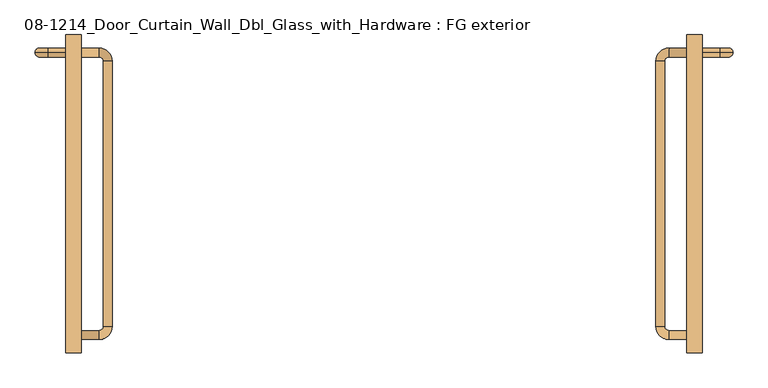
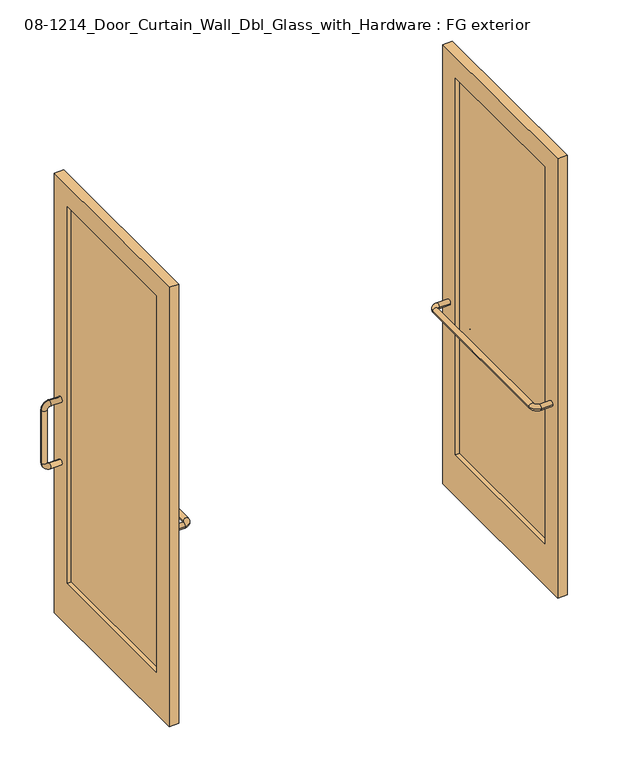
"""IFC4 building model written with IfcOpenShell, lengths in millimetres: door geometry, 08-1214_Door_Curtain_Wall_Dbl_Glass_with_Hardware : FG exterior."""

from ifc_helpers import new_model, si_unit, point, frame, origin, place, context, project, spatial, polyline, circle_curve, ellipse_curve, trimmed, outline, extrude, source, transform, mapped, element, save
from ifc_brep_helpers import plane_surface, cylinder_surface, revolved_surface, advanced_brep


def door_08_1214_door_curtain_wall_dbl_glass_with_hardware_fg_2232caed(model_context):
    return source(origin(), model_context, "Body", "SolidModel", [
        advanced_brep(
        [(914.4, 927.1, 749.3), (914.4, 927.1, 774.7), (965.2, 927.1, 749.3), (965.2, 927.1, 774.7), (977.9, 927.1, 787.4), (1003.3, 927.1, 787.4), (1003.3, 927.1, 1041.4), (977.9, 927.1, 1041.4), (914.4, 927.1, 1079.5), (914.4, 927.1, 1054.1), (965.2, 927.1, 1054.1), (965.2, 927.1, 1079.5)],
        [
            (0, 1, circle_curve(frame((914.4, 927.1, 762.0), z_axis=(-1.0, 0.0, 0.0), x_axis=(0.0, 0.0, 1.0)), 12.7)),
            (1, 0, circle_curve(frame((914.4, 927.1, 762.0), z_axis=(-1.0, 0.0, 0.0), x_axis=(0.0, 0.0, 1.0)), 12.7)),
            (0, 2),
            (2, 3, circle_curve(frame((965.2, 927.1, 762.0), z_axis=(-1.0, 0.0, 0.0), x_axis=(0.0, 0.0, 1.0)), 12.7)),
            (3, 1),
            (3, 2, circle_curve(frame((965.2, 927.1, 762.0), z_axis=(-1.0, 0.0, 0.0), x_axis=(0.0, 0.0, 1.0)), 12.7)),
            (4, 5, circle_curve(frame((990.6, 927.1, 787.4), z_axis=(0.0, 0.0, 1.0), x_axis=(-1.0, 0.0, 0.0)), 12.7)),
            (5, 6),
            (6, 7, circle_curve(frame((990.6, 927.1, 1041.4), z_axis=(0.0, 0.0, -1.0), x_axis=(-1.0, 0.0, 0.0)), 12.7)),
            (7, 4),
            (5, 4, circle_curve(frame((990.6, 927.1, 787.4), z_axis=(0.0, 0.0, 1.0), x_axis=(-1.0, 0.0, 0.0)), 12.7)),
            (7, 6, circle_curve(frame((990.6, 927.1, 1041.4), z_axis=(0.0, 0.0, -1.0), x_axis=(-1.0, 0.0, 0.0)), 12.7)),
            (8, 9, circle_curve(frame((914.4, 927.1, 1066.8), z_axis=(-1.0, 0.0, 0.0), x_axis=(0.0, 0.0, -1.0)), 12.7)),
            (9, 8, circle_curve(frame((914.4, 927.1, 1066.8), z_axis=(-1.0, 0.0, 0.0), x_axis=(0.0, 0.0, -1.0)), 12.7)),
            (10, 11, circle_curve(frame((965.2, 927.1, 1066.8), z_axis=(-1.0, 0.0, 0.0), x_axis=(0.0, 0.0, -1.0)), 12.7)),
            (11, 8),
            (9, 10),
            (11, 10, circle_curve(frame((965.2, 927.1, 1066.8), z_axis=(-1.0, 0.0, 0.0), x_axis=(0.0, 0.0, -1.0)), 12.7)),
            (4, 3, circle_curve(frame((965.2, 927.1, 787.4), z_axis=(0.0, 1.0, 0.0), x_axis=(0.0, 0.0, -1.0)), 12.7)),
            (2, 5, circle_curve(frame((965.2, 927.1, 787.4), z_axis=(0.0, -1.0, 0.0), x_axis=(0.0, 0.0, -1.0)), 38.1)),
            (10, 7, circle_curve(frame((965.2, 927.1, 1041.4), z_axis=(0.0, 1.0, 0.0), x_axis=(1.0, 0.0, 0.0)), 12.7)),
            (6, 11, circle_curve(frame((965.2, 927.1, 1041.4), z_axis=(0.0, -1.0, 0.0), x_axis=(1.0, 0.0, 0.0)), 38.1)),
        ],
        [
            plane_surface(frame((914.4, 927.1, 762.0), z_axis=(-1.0, 0.0, 0.0), x_axis=(0.0, -1.0, 0.0))),
            cylinder_surface(frame((914.4, 927.1, 762.0), z_axis=(-1.0, 0.0, 0.0), x_axis=(0.0, 0.0, 1.0)), 12.7),
            cylinder_surface(frame((990.6, 927.1, 787.4), z_axis=(0.0, 0.0, -1.0), x_axis=(-1.0, 0.0, 0.0)), 12.7),
            plane_surface(frame((914.4, 927.1, 1066.8), z_axis=(-1.0, 0.0, 0.0), x_axis=(0.0, -1.0, 0.0))),
            cylinder_surface(frame((965.2, 927.1, 1066.8), z_axis=(1.0, 0.0, 0.0), x_axis=(0.0, 0.0, -1.0)), 12.7),
            revolved_surface(trimmed(ellipse_curve(frame((965.2, 927.1, 762.0), z_axis=(-1.0, 0.0, 0.0), x_axis=(0.0, 0.0, 1.0)), 12.7, 12.7), [point((965.2, 927.1, 749.3))], [point((965.2, 927.1, 774.7))], True, "CARTESIAN"), (965.2, 927.1, 787.4), (0.0, -1.0, 0.0)),
            revolved_surface(trimmed(ellipse_curve(frame((965.2, 927.1, 762.0), z_axis=(-1.0, 0.0, 0.0), x_axis=(0.0, 0.0, 1.0)), 12.7, 12.7), [point((965.2, 927.1, 774.7))], [point((965.2, 927.1, 749.3))], True, "CARTESIAN"), (965.2, 927.1, 787.4), (0.0, -1.0, 0.0)),
            revolved_surface(trimmed(ellipse_curve(frame((990.6, 927.1, 1041.4), z_axis=(0.0, 0.0, -1.0), x_axis=(-1.0, 0.0, 0.0)), 12.7, 12.7), [point((1003.3, 927.1, 1041.4))], [point((977.9, 927.1, 1041.4))], True, "CARTESIAN"), (965.2, 927.1, 1041.4), (0.0, -1.0, 0.0)),
            revolved_surface(trimmed(ellipse_curve(frame((990.6, 927.1, 1041.4), z_axis=(0.0, 0.0, -1.0), x_axis=(-1.0, 0.0, 0.0)), 12.7, 12.7), [point((977.9, 927.1, 1041.4))], [point((1003.3, 927.1, 1041.4))], True, "CARTESIAN"), (965.2, 927.1, 1041.4), (0.0, -1.0, 0.0)),
        ],
        [
            (0, [[1, 2]]),
            (1, [[-1, 3, 4, 5]]),
            (1, [[-2, -5, 6, -3]]),
            (2, [[7, 8, 9, 10]]),
            (2, [[11, -10, 12, -8]]),
            (3, [[13, 14]]),
            (4, [[15, 16, -14, 17]]),
            (4, [[18, -17, -13, -16]]),
            (5, [[19, -4, 20, -7]]),
            (6, [[-20, -6, -19, -11]]),
            (7, [[21, -9, 22, -15]]),
            (8, [[-22, -12, -21, -18]]),
        ],
    ),
        advanced_brep(
        [(869.95, 101.6, 914.4), (869.95, 127.0, 914.4), (819.15, 101.6, 914.4), (819.15, 127.0, 914.4), (806.45, 139.7, 914.4), (781.05, 139.7, 914.4), (781.05, 901.7, 914.4), (806.45, 901.7, 914.4), (869.95, 939.8, 914.4), (869.95, 914.4, 914.4), (819.15, 914.4, 914.4), (819.15, 939.8, 914.4)],
        [
            (0, 1, circle_curve(frame((869.95, 114.3, 914.4), z_axis=(1.0, 0.0, 0.0), x_axis=(0.0, 1.0, 0.0)), 12.7)),
            (1, 0, circle_curve(frame((869.95, 114.3, 914.4), z_axis=(1.0, 0.0, 0.0), x_axis=(0.0, 1.0, 0.0)), 12.7)),
            (0, 2),
            (2, 3, circle_curve(frame((819.15, 114.3, 914.4), z_axis=(1.0, 0.0, 0.0), x_axis=(0.0, 1.0, 0.0)), 12.7)),
            (3, 1),
            (3, 2, circle_curve(frame((819.15, 114.3, 914.4), z_axis=(1.0, 0.0, 0.0), x_axis=(0.0, 1.0, 0.0)), 12.7)),
            (4, 5, circle_curve(frame((793.75, 139.7, 914.4), z_axis=(0.0, 1.0, 0.0), x_axis=(1.0, 0.0, 0.0)), 12.7)),
            (5, 6),
            (6, 7, circle_curve(frame((793.75, 901.7, 914.4), z_axis=(0.0, -1.0, 0.0), x_axis=(1.0, 0.0, 0.0)), 12.7)),
            (7, 4),
            (5, 4, circle_curve(frame((793.75, 139.7, 914.4), z_axis=(0.0, 1.0, 0.0), x_axis=(1.0, 0.0, 0.0)), 12.7)),
            (7, 6, circle_curve(frame((793.75, 901.7, 914.4), z_axis=(0.0, -1.0, 0.0), x_axis=(1.0, 0.0, 0.0)), 12.7)),
            (8, 9, circle_curve(frame((869.95, 927.1, 914.4), z_axis=(1.0, 0.0, 0.0), x_axis=(0.0, -1.0, 0.0)), 12.7)),
            (9, 8, circle_curve(frame((869.95, 927.1, 914.4), z_axis=(1.0, 0.0, 0.0), x_axis=(0.0, -1.0, 0.0)), 12.7)),
            (10, 11, circle_curve(frame((819.15, 927.1, 914.4), z_axis=(1.0, 0.0, 0.0), x_axis=(0.0, -1.0, 0.0)), 12.7)),
            (11, 8),
            (9, 10),
            (11, 10, circle_curve(frame((819.15, 927.1, 914.4), z_axis=(1.0, 0.0, 0.0), x_axis=(0.0, -1.0, 0.0)), 12.7)),
            (4, 3, circle_curve(frame((819.15, 139.7, 914.4), z_axis=(0.0, 0.0, 1.0), x_axis=(0.0, -1.0, 0.0)), 12.7)),
            (2, 5, circle_curve(frame((819.15, 139.7, 914.4), z_axis=(0.0, 0.0, -1.0), x_axis=(0.0, -1.0, 0.0)), 38.1)),
            (10, 7, circle_curve(frame((819.15, 901.7, 914.4), z_axis=(0.0, 0.0, 1.0), x_axis=(-1.0, 0.0, 0.0)), 12.7)),
            (6, 11, circle_curve(frame((819.15, 901.7, 914.4), z_axis=(0.0, 0.0, -1.0), x_axis=(-1.0, 0.0, 0.0)), 38.1)),
        ],
        [
            plane_surface(frame((869.95, 114.3, 914.4), z_axis=(1.0, 0.0, 0.0), x_axis=(0.0, 0.0, -1.0))),
            cylinder_surface(frame((869.95, 114.3, 914.4), z_axis=(1.0, 0.0, 0.0), x_axis=(0.0, 1.0, 0.0)), 12.7),
            cylinder_surface(frame((793.75, 139.7, 914.4), z_axis=(0.0, -1.0, 0.0), x_axis=(1.0, 0.0, 0.0)), 12.7),
            plane_surface(frame((869.95, 927.1, 914.4), z_axis=(1.0, 0.0, 0.0), x_axis=(0.0, 0.0, -1.0))),
            cylinder_surface(frame((819.15, 927.1, 914.4), z_axis=(-1.0, 0.0, 0.0), x_axis=(0.0, -1.0, 0.0)), 12.7),
            revolved_surface(trimmed(ellipse_curve(frame((819.15, 114.3, 914.4), z_axis=(1.0, 0.0, 0.0), x_axis=(0.0, 1.0, 0.0)), 12.7, 12.7), [point((819.15, 101.6, 914.4))], [point((819.15, 127.0, 914.4))], True, "CARTESIAN"), (819.15, 139.7, 914.4), (0.0, 0.0, -1.0)),
            revolved_surface(trimmed(ellipse_curve(frame((819.15, 114.3, 914.4), z_axis=(1.0, 0.0, 0.0), x_axis=(0.0, 1.0, 0.0)), 12.7, 12.7), [point((819.15, 127.0, 914.4))], [point((819.15, 101.6, 914.4))], True, "CARTESIAN"), (819.15, 139.7, 914.4), (0.0, 0.0, -1.0)),
            revolved_surface(trimmed(ellipse_curve(frame((793.75, 901.7, 914.4), z_axis=(0.0, -1.0, 0.0), x_axis=(1.0, 0.0, 0.0)), 12.7, 12.7), [point((781.05, 901.7, 914.4))], [point((806.45, 901.7, 914.4))], True, "CARTESIAN"), (819.15, 901.7, 914.4), (0.0, 0.0, -1.0)),
            revolved_surface(trimmed(ellipse_curve(frame((793.75, 901.7, 914.4), z_axis=(0.0, -1.0, 0.0), x_axis=(1.0, 0.0, 0.0)), 12.7, 12.7), [point((806.45, 901.7, 914.4))], [point((781.05, 901.7, 914.4))], True, "CARTESIAN"), (819.15, 901.7, 914.4), (0.0, 0.0, -1.0)),
        ],
        [
            (0, [[1, 2]]),
            (1, [[-1, 3, 4, 5]]),
            (1, [[-2, -5, 6, -3]]),
            (2, [[7, 8, 9, 10]]),
            (2, [[11, -10, 12, -8]]),
            (3, [[13, 14]]),
            (4, [[15, 16, -14, 17]]),
            (4, [[18, -17, -13, -16]]),
            (5, [[19, -4, 20, -7]]),
            (6, [[-20, -6, -19, -11]]),
            (7, [[21, -9, 22, -15]]),
            (8, [[-22, -12, -21, -18]]),
        ],
    ),
        extrude(outline(polyline([(895.35, 876.3), (895.35, 165.1), (889.0, 165.1), (889.0, 876.3), (895.35, 876.3)])), frame((0.0, 0.0, 203.2), z_axis=(0.0, 0.0, 1.0), x_axis=(1.0, 0.0, 0.0)), (0.0, 0.0, 1.0), 1828.8),
        extrude(outline(polyline([(63.5, 2133.6), (977.9, 2133.6), (977.9, 0.0), (63.5, 0.0), (63.5, 2133.6)]), holes=[polyline([(165.1, 2032.0), (165.1, 203.2), (876.3, 203.2), (876.3, 2032.0), (165.1, 2032.0)])]), frame((869.95, 0.0, 0.0), z_axis=(1.0, 0.0, 0.0), x_axis=(0.0, 1.0, 0.0)), (0.0, 0.0, 1.0), 44.45),
        advanced_brep(
        [(-914.4, 927.1, 749.3), (-914.4, 927.1, 774.7), (-965.2, 927.1, 774.7), (-965.2, 927.1, 749.3), (-977.9, 927.1, 787.4), (-977.9, 927.1, 1041.4), (-1003.3, 927.1, 1041.4), (-1003.3, 927.1, 787.4), (-914.4, 927.1, 1079.5), (-914.4, 927.1, 1054.1), (-965.2, 927.1, 1054.1), (-965.2, 927.1, 1079.5)],
        [
            (0, 1, circle_curve(frame((-914.4, 927.1, 762.0), z_axis=(1.0, 0.0, 0.0), x_axis=(0.0, 0.0, 1.0)), 12.7)),
            (1, 0, circle_curve(frame((-914.4, 927.1, 762.0), z_axis=(1.0, 0.0, 0.0), x_axis=(0.0, 0.0, 1.0)), 12.7)),
            (1, 2),
            (2, 3, circle_curve(frame((-965.2, 927.1, 762.0), z_axis=(1.0, 0.0, 0.0), x_axis=(0.0, 0.0, 1.0)), 12.7)),
            (3, 0),
            (3, 2, circle_curve(frame((-965.2, 927.1, 762.0), z_axis=(1.0, 0.0, 0.0), x_axis=(0.0, 0.0, 1.0)), 12.7)),
            (4, 5),
            (5, 6, circle_curve(frame((-990.6, 927.1, 1041.4), z_axis=(0.0, 0.0, -1.0), x_axis=(1.0, 0.0, 0.0)), 12.7)),
            (6, 7),
            (7, 4, circle_curve(frame((-990.6, 927.1, 787.4), z_axis=(0.0, 0.0, 1.0), x_axis=(1.0, 0.0, 0.0)), 12.7)),
            (6, 5, circle_curve(frame((-990.6, 927.1, 1041.4), z_axis=(0.0, 0.0, -1.0), x_axis=(1.0, 0.0, 0.0)), 12.7)),
            (4, 7, circle_curve(frame((-990.6, 927.1, 787.4), z_axis=(0.0, 0.0, 1.0), x_axis=(1.0, 0.0, 0.0)), 12.7)),
            (8, 9, circle_curve(frame((-914.4, 927.1, 1066.8), z_axis=(1.0, 0.0, 0.0), x_axis=(0.0, 0.0, -1.0)), 12.7)),
            (9, 8, circle_curve(frame((-914.4, 927.1, 1066.8), z_axis=(1.0, 0.0, 0.0), x_axis=(0.0, 0.0, -1.0)), 12.7)),
            (10, 9),
            (8, 11),
            (11, 10, circle_curve(frame((-965.2, 927.1, 1066.8), z_axis=(1.0, 0.0, 0.0), x_axis=(0.0, 0.0, -1.0)), 12.7)),
            (10, 11, circle_curve(frame((-965.2, 927.1, 1066.8), z_axis=(1.0, 0.0, 0.0), x_axis=(0.0, 0.0, -1.0)), 12.7)),
            (7, 3, circle_curve(frame((-965.2, 927.1, 787.4), z_axis=(0.0, -1.0, 0.0), x_axis=(0.0, 0.0, -1.0)), 38.1)),
            (2, 4, circle_curve(frame((-965.2, 927.1, 787.4), z_axis=(0.0, 1.0, 0.0), x_axis=(0.0, 0.0, -1.0)), 12.7)),
            (11, 6, circle_curve(frame((-965.2, 927.1, 1041.4), z_axis=(0.0, -1.0, 0.0), x_axis=(-1.0, 0.0, 0.0)), 38.1)),
            (5, 10, circle_curve(frame((-965.2, 927.1, 1041.4), z_axis=(0.0, 1.0, 0.0), x_axis=(-1.0, 0.0, 0.0)), 12.7)),
        ],
        [
            plane_surface(frame((-914.4, 927.1, 762.0), z_axis=(1.0, 0.0, 0.0), x_axis=(0.0, -1.0, 0.0))),
            cylinder_surface(frame((-914.4, 927.1, 762.0), z_axis=(1.0, 0.0, 0.0), x_axis=(0.0, 0.0, 1.0)), 12.7),
            cylinder_surface(frame((-990.6, 927.1, 787.4), z_axis=(0.0, 0.0, -1.0), x_axis=(1.0, 0.0, 0.0)), 12.7),
            plane_surface(frame((-914.4, 927.1, 1066.8), z_axis=(1.0, 0.0, 0.0), x_axis=(0.0, -1.0, 0.0))),
            cylinder_surface(frame((-965.2, 927.1, 1066.8), z_axis=(-1.0, 0.0, 0.0), x_axis=(0.0, 0.0, -1.0)), 12.7),
            revolved_surface(trimmed(ellipse_curve(frame((-965.2, 927.1, 762.0), z_axis=(-1.0, 0.0, 0.0), x_axis=(0.0, 0.0, 1.0)), 12.7, 12.7), [point((-965.2, 927.1, 749.3))], [point((-965.2, 927.1, 774.7))], True, "CARTESIAN"), (-965.2, 927.1, 787.4), (0.0, -1.0, 0.0)),
            revolved_surface(trimmed(ellipse_curve(frame((-965.2, 927.1, 762.0), z_axis=(-1.0, 0.0, 0.0), x_axis=(0.0, 0.0, 1.0)), 12.7, 12.7), [point((-965.2, 927.1, 774.7))], [point((-965.2, 927.1, 749.3))], True, "CARTESIAN"), (-965.2, 927.1, 787.4), (0.0, -1.0, 0.0)),
            revolved_surface(trimmed(ellipse_curve(frame((-990.6, 927.1, 1041.4), z_axis=(0.0, 0.0, 1.0), x_axis=(1.0, 0.0, 0.0)), 12.7, 12.7), [point((-1003.3, 927.1, 1041.4))], [point((-977.9, 927.1, 1041.4))], True, "CARTESIAN"), (-965.2, 927.1, 1041.4), (0.0, -1.0, 0.0)),
            revolved_surface(trimmed(ellipse_curve(frame((-990.6, 927.1, 1041.4), z_axis=(0.0, 0.0, 1.0), x_axis=(1.0, 0.0, 0.0)), 12.7, 12.7), [point((-977.9, 927.1, 1041.4))], [point((-1003.3, 927.1, 1041.4))], True, "CARTESIAN"), (-965.2, 927.1, 1041.4), (0.0, -1.0, 0.0)),
        ],
        [
            (0, [[1, 2]]),
            (1, [[3, 4, 5, -2]]),
            (1, [[-5, 6, -3, -1]]),
            (2, [[7, 8, 9, 10]]),
            (2, [[-9, 11, -7, 12]]),
            (3, [[13, 14]]),
            (4, [[15, -13, 16, 17]]),
            (4, [[-16, -14, -15, 18]]),
            (5, [[-10, 19, -4, 20]]),
            (6, [[-12, -20, -6, -19]]),
            (7, [[-17, 21, -8, 22]]),
            (8, [[-18, -22, -11, -21]]),
        ],
    ),
        advanced_brep(
        [(-869.95, 101.6, 914.4), (-869.95, 127.0, 914.4), (-819.15, 127.0, 914.4), (-819.15, 101.6, 914.4), (-806.45, 139.7, 914.4), (-806.45, 901.7, 914.4), (-781.05, 901.7, 914.4), (-781.05, 139.7, 914.4), (-869.95, 939.8, 914.4), (-869.95, 914.4, 914.4), (-819.15, 914.4, 914.4), (-819.15, 939.8, 914.4)],
        [
            (0, 1, circle_curve(frame((-869.95, 114.3, 914.4), z_axis=(-1.0, 0.0, 0.0), x_axis=(0.0, 1.0, 0.0)), 12.7)),
            (1, 0, circle_curve(frame((-869.95, 114.3, 914.4), z_axis=(-1.0, 0.0, 0.0), x_axis=(0.0, 1.0, 0.0)), 12.7)),
            (1, 2),
            (2, 3, circle_curve(frame((-819.15, 114.3, 914.4), z_axis=(-1.0, 0.0, 0.0), x_axis=(0.0, 1.0, 0.0)), 12.7)),
            (3, 0),
            (3, 2, circle_curve(frame((-819.15, 114.3, 914.4), z_axis=(-1.0, 0.0, 0.0), x_axis=(0.0, 1.0, 0.0)), 12.7)),
            (4, 5),
            (5, 6, circle_curve(frame((-793.75, 901.7, 914.4), z_axis=(0.0, -1.0, 0.0), x_axis=(-1.0, 0.0, 0.0)), 12.7)),
            (6, 7),
            (7, 4, circle_curve(frame((-793.75, 139.7, 914.4), z_axis=(0.0, 1.0, 0.0), x_axis=(-1.0, 0.0, 0.0)), 12.7)),
            (6, 5, circle_curve(frame((-793.75, 901.7, 914.4), z_axis=(0.0, -1.0, 0.0), x_axis=(-1.0, 0.0, 0.0)), 12.7)),
            (4, 7, circle_curve(frame((-793.75, 139.7, 914.4), z_axis=(0.0, 1.0, 0.0), x_axis=(-1.0, 0.0, 0.0)), 12.7)),
            (8, 9, circle_curve(frame((-869.95, 927.1, 914.4), z_axis=(-1.0, 0.0, 0.0), x_axis=(0.0, -1.0, 0.0)), 12.7)),
            (9, 8, circle_curve(frame((-869.95, 927.1, 914.4), z_axis=(-1.0, 0.0, 0.0), x_axis=(0.0, -1.0, 0.0)), 12.7)),
            (10, 9),
            (8, 11),
            (11, 10, circle_curve(frame((-819.15, 927.1, 914.4), z_axis=(-1.0, 0.0, 0.0), x_axis=(0.0, -1.0, 0.0)), 12.7)),
            (10, 11, circle_curve(frame((-819.15, 927.1, 914.4), z_axis=(-1.0, 0.0, 0.0), x_axis=(0.0, -1.0, 0.0)), 12.7)),
            (7, 3, circle_curve(frame((-819.15, 139.7, 914.4), z_axis=(0.0, 0.0, -1.0), x_axis=(0.0, -1.0, 0.0)), 38.1)),
            (2, 4, circle_curve(frame((-819.15, 139.7, 914.4), z_axis=(0.0, 0.0, 1.0), x_axis=(0.0, -1.0, 0.0)), 12.7)),
            (11, 6, circle_curve(frame((-819.15, 901.7, 914.4), z_axis=(0.0, 0.0, -1.0), x_axis=(1.0, 0.0, 0.0)), 38.1)),
            (5, 10, circle_curve(frame((-819.15, 901.7, 914.4), z_axis=(0.0, 0.0, 1.0), x_axis=(1.0, 0.0, 0.0)), 12.7)),
        ],
        [
            plane_surface(frame((-869.95, 114.3, 914.4), z_axis=(-1.0, 0.0, 0.0), x_axis=(0.0, 0.0, -1.0))),
            cylinder_surface(frame((-869.95, 114.3, 914.4), z_axis=(-1.0, 0.0, 0.0), x_axis=(0.0, 1.0, 0.0)), 12.7),
            cylinder_surface(frame((-793.75, 139.7, 914.4), z_axis=(0.0, -1.0, 0.0), x_axis=(-1.0, 0.0, 0.0)), 12.7),
            plane_surface(frame((-869.95, 927.1, 914.4), z_axis=(-1.0, 0.0, 0.0), x_axis=(0.0, 0.0, -1.0))),
            cylinder_surface(frame((-819.15, 927.1, 914.4), z_axis=(1.0, 0.0, 0.0), x_axis=(0.0, -1.0, 0.0)), 12.7),
            revolved_surface(trimmed(ellipse_curve(frame((-819.15, 114.3, 914.4), z_axis=(1.0, 0.0, 0.0), x_axis=(0.0, 1.0, 0.0)), 12.7, 12.7), [point((-819.15, 101.6, 914.4))], [point((-819.15, 127.0, 914.4))], True, "CARTESIAN"), (-819.15, 139.7, 914.4), (0.0, 0.0, -1.0)),
            revolved_surface(trimmed(ellipse_curve(frame((-819.15, 114.3, 914.4), z_axis=(1.0, 0.0, 0.0), x_axis=(0.0, 1.0, 0.0)), 12.7, 12.7), [point((-819.15, 127.0, 914.4))], [point((-819.15, 101.6, 914.4))], True, "CARTESIAN"), (-819.15, 139.7, 914.4), (0.0, 0.0, -1.0)),
            revolved_surface(trimmed(ellipse_curve(frame((-793.75, 901.7, 914.4), z_axis=(0.0, 1.0, 0.0), x_axis=(-1.0, 0.0, 0.0)), 12.7, 12.7), [point((-781.05, 901.7, 914.4))], [point((-806.45, 901.7, 914.4))], True, "CARTESIAN"), (-819.15, 901.7, 914.4), (0.0, 0.0, -1.0)),
            revolved_surface(trimmed(ellipse_curve(frame((-793.75, 901.7, 914.4), z_axis=(0.0, 1.0, 0.0), x_axis=(-1.0, 0.0, 0.0)), 12.7, 12.7), [point((-806.45, 901.7, 914.4))], [point((-781.05, 901.7, 914.4))], True, "CARTESIAN"), (-819.15, 901.7, 914.4), (0.0, 0.0, -1.0)),
        ],
        [
            (0, [[1, 2]]),
            (1, [[3, 4, 5, -2]]),
            (1, [[-5, 6, -3, -1]]),
            (2, [[7, 8, 9, 10]]),
            (2, [[-9, 11, -7, 12]]),
            (3, [[13, 14]]),
            (4, [[15, -13, 16, 17]]),
            (4, [[-16, -14, -15, 18]]),
            (5, [[-10, 19, -4, 20]]),
            (6, [[-12, -20, -6, -19]]),
            (7, [[-17, 21, -8, 22]]),
            (8, [[-18, -22, -11, -21]]),
        ],
    ),
        extrude(outline(polyline([(-895.35, 876.3), (-889.0, 876.3), (-889.0, 165.1), (-895.35, 165.1), (-895.35, 876.3)])), frame((0.0, 0.0, 203.2), z_axis=(0.0, 0.0, 1.0), x_axis=(1.0, 0.0, 0.0)), (0.0, 0.0, 1.0), 1828.8),
        extrude(outline(polyline([(977.9, 2133.6), (977.9, 0.0), (63.5, 0.0), (63.5, 2133.6), (977.9, 2133.6)]), holes=[polyline([(165.1, 203.2), (876.3, 203.2), (876.3, 2032.0), (165.1, 2032.0), (165.1, 203.2)])]), frame((-914.4, 0.0, 0.0), z_axis=(1.0, 0.0, 0.0), x_axis=(0.0, 1.0, 0.0)), (0.0, 0.0, 1.0), 44.45),
    ])


if __name__ == "__main__":
    model = new_model("IFC4")
    model_context = context("Model", 3, world=origin())
    ifc_project = project(units=[si_unit("LENGTHUNIT", "METRE", prefix="MILLI")], contexts=[model_context])
    site = spatial("IfcSite", under=ifc_project)
    building = spatial("IfcBuilding", under=site)
    placement = place(None, origin())
    door_08_1214_door_curtain_wall_dbl_glass_with_hardware_fg_shape = door_08_1214_door_curtain_wall_dbl_glass_with_hardware_fg_2232caed(model_context)
    element("IfcDoor", 1, ObjectType="08-1214_Door_Curtain_Wall_Dbl_Glass_with_Hardware : FG exterior", at=placement, inside=building, context=model_context, shape_type="MappedRepresentation", body=[
        mapped(door_08_1214_door_curtain_wall_dbl_glass_with_hardware_fg_shape, transform((0.0, 0.0, 0.0), x_axis=(1.0, 0.0, 0.0), y_axis=(0.0, 1.0, 0.0), z_axis=(0.0, 0.0, 1.0))),
    ])
    save(model, "model.ifc")
